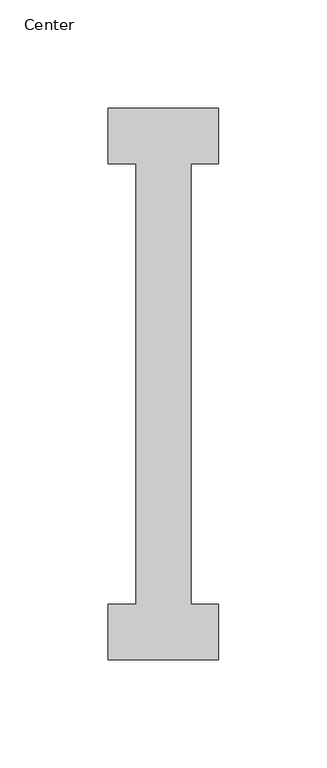
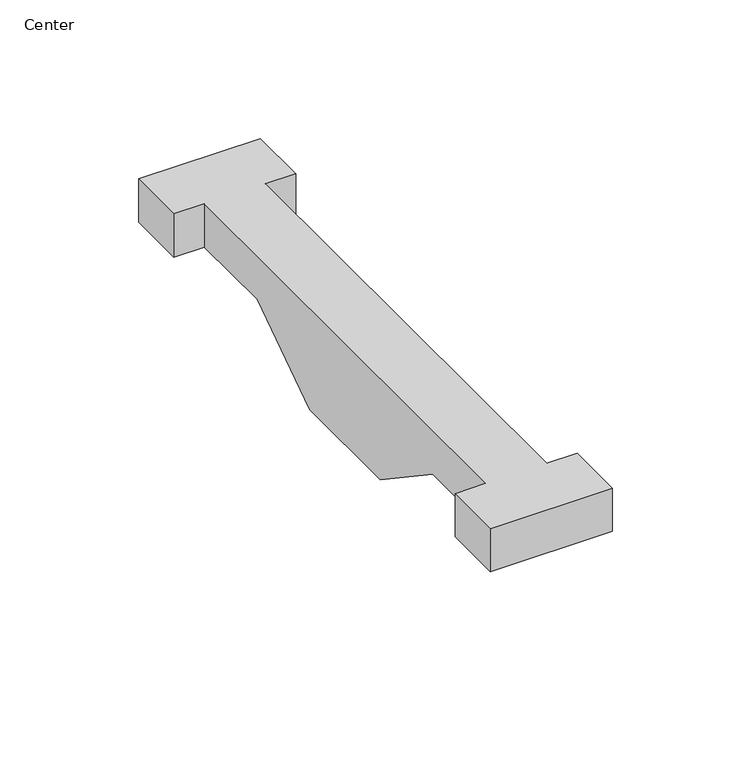
"""IFC4 building model written with IfcOpenShell, lengths in millimetres: furniture geometry, Center."""

from ifc_helpers import new_model, si_unit, origin, place, context, project, spatial, faceted_brep, source, transform, mapped, element, save


def center_a219f360(model_context):
    return source(origin(), model_context, "Body", "Brep", [
        faceted_brep([(1524.0, 117.475, 1209.6749985), (1524.0, 92.075, 1209.6749985), (1524.0, 92.075, 1228.725), (1524.0, 117.475, 1228.725), (1524.0, -136.525, 1228.725), (1524.0, -111.124997, 1228.725), (1524.0, -111.124997, 1209.6749985), (1524.0, -136.525, 1209.6749985), (1574.8, 117.475, 1209.6749985), (1574.8, 117.475, 1228.725), (1574.8, 92.075, 1228.725), (1574.8, 92.075, 1209.6749985), (1574.8, -136.525, 1228.725), (1574.8, -136.525, 1209.6749985), (1574.8, -111.124997, 1209.6749985), (1574.8, -111.124997, 1228.725), (1562.0999996, 92.075, 1209.6749985), (1562.0999996, 53.975, 1209.6749985), (1536.6999989, 53.975, 1209.6749985), (1536.6999989, 92.075, 1209.6749985), (1536.6999989, 92.075, 1228.725), (1562.0999996, 92.075, 1228.725), (1536.6999989, -111.124997, 1228.725), (1562.0999996, -111.124997, 1228.725), (1536.6999989, -111.124997, 1209.6749985), (1562.0999996, -111.124997, 1209.6749985), (1536.6999989, -73.024997, 1209.6749985), (1562.0999996, -73.024997, 1209.6749985), (1536.6999989, 15.875, 1184.275), (1536.6999989, -34.9250015, 1184.275), (1562.0999996, -34.9250015, 1184.275), (1562.0999996, 15.875, 1184.275)], [[[0, 1, 2, 3]], [[4, 5, 6, 7]], [[8, 9, 10, 11]], [[12, 13, 14, 15]], [[1, 0, 8, 11, 16, 17, 18, 19]], [[2, 1, 19, 20]], [[11, 10, 21, 16]], [[3, 2, 20, 22, 5, 4, 12, 15, 23, 21, 10, 9]], [[0, 3, 9, 8]], [[6, 5, 22, 24]], [[15, 14, 25, 23]], [[7, 6, 24, 26, 27, 25, 14, 13]], [[4, 7, 13, 12]], [[22, 20, 19, 18, 28, 29, 26, 24]], [[25, 27, 30, 31, 17, 16, 21, 23]], [[28, 18, 17, 31]], [[29, 28, 31, 30]], [[26, 29, 30, 27]]]),
    ])


if __name__ == "__main__":
    model = new_model("IFC4")
    model_context = context("Model", 3, world=origin())
    ifc_project = project(units=[si_unit("LENGTHUNIT", "METRE", prefix="MILLI")], contexts=[model_context])
    site = spatial("IfcSite", under=ifc_project)
    building = spatial("IfcBuilding", under=site)
    placement = place(None, origin())
    center_shape = center_a219f360(model_context)
    element("IfcFurniture", 1, ObjectType="Center", at=placement, inside=building, context=model_context, shape_type="MappedRepresentation", body=[
        mapped(center_shape, transform((0.0, 0.0, 0.0), x_axis=(1.0, 0.0, 0.0), y_axis=(0.0, 1.0, 0.0), z_axis=(0.0, 0.0, 1.0))),
    ])
    save(model, "model.ifc")
